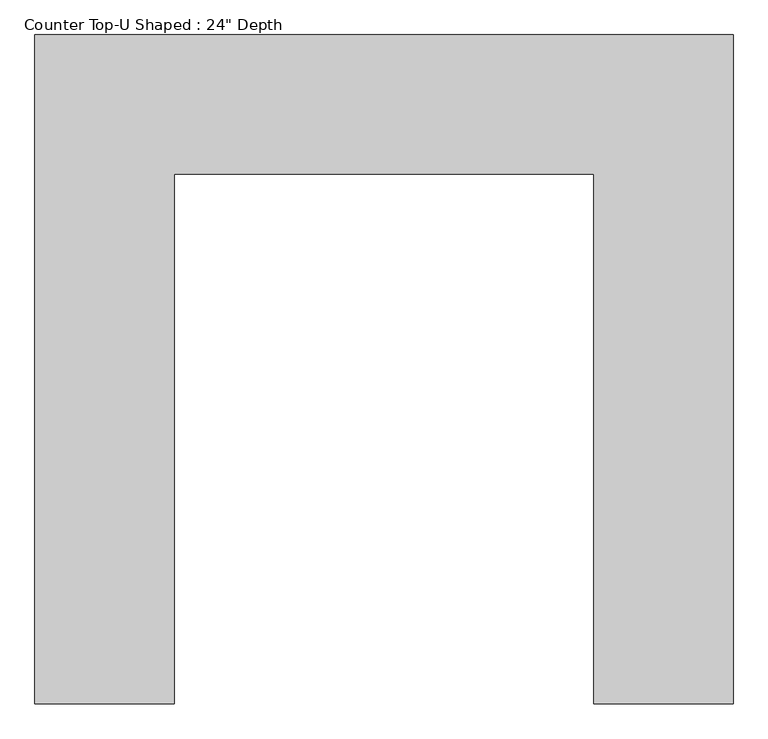
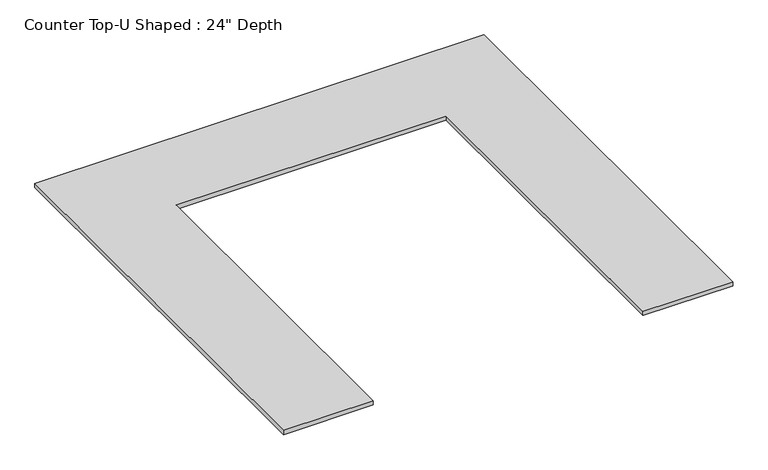
"""IFC4 building model written with IfcOpenShell, lengths in millimetres: furniture geometry."""

from ifc_helpers import new_model, si_unit, frame, origin, place, context, project, spatial, polyline, outline, extrude, source, transform, mapped, element, save


def furniture_9944dc6c(model_context):
    return source(origin(), model_context, "Body", "SweptSolid", [
        extrude(outline(polyline([(2619.0627049, 0.0), (2619.0627049, -19.05), (2619.0627049, -3662.3625), (1857.0627049, -3662.3625), (1857.0627049, -762.0), (-438.4622951, -762.0), (-438.4622951, -3662.3625), (-1200.4622951, -3662.3625), (-1200.4622951, 0.0), (2619.0627049, 0.0)])), frame((0.0, 0.0, 876.3), z_axis=(0.0, 0.0, 1.0), x_axis=(1.0, 0.0, 0.0)), (0.0, 0.0, 1.0), 38.1),
    ])


if __name__ == "__main__":
    model = new_model("IFC4")
    model_context = context("Model", 3, world=origin())
    ifc_project = project(units=[si_unit("LENGTHUNIT", "METRE", prefix="MILLI")], contexts=[model_context])
    site = spatial("IfcSite", under=ifc_project)
    building = spatial("IfcBuilding", under=site)
    placement = place(None, origin())
    furniture_shape = furniture_9944dc6c(model_context)
    element("IfcFurniture", 1, ObjectType="Counter Top-U Shaped : 24\" Depth", at=placement, inside=building, context=model_context, shape_type="MappedRepresentation", body=[
        mapped(furniture_shape, transform((0.0, 0.0, 0.0), x_axis=(1.0, 0.0, 0.0), y_axis=(0.0, 1.0, 0.0), z_axis=(0.0, 0.0, 1.0))),
    ])
    save(model, "model.ifc")
